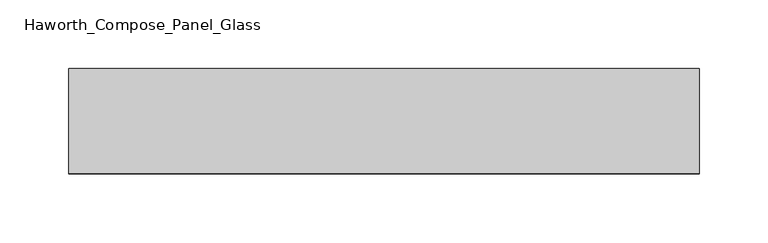
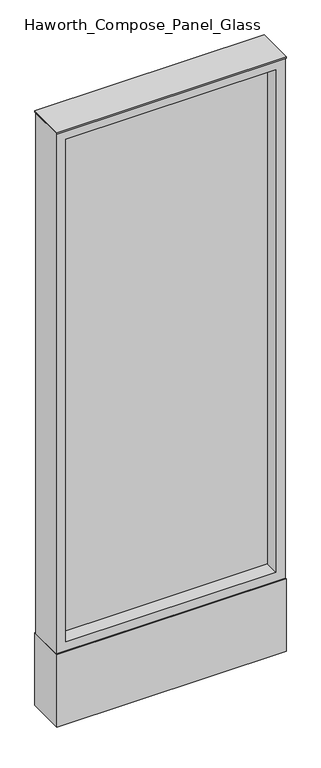
"""IFC4 building model written with IfcOpenShell, lengths in millimetres: furniture geometry, Haworth_Compose_Panel_Glass."""

from ifc_helpers import new_model, si_unit, point, frame, frame_2d, origin, origin_with_axes, place, context, project, spatial, polyline, circle_curve, trimmed, segment, composite_curve, outline, extrude, source, transform, mapped, element, save


def haworth_compose_panel_glass_facac449(model_context):
    return source(origin(), model_context, "Body", "SweptSolid", [
        extrude(outline(composite_curve([segment(trimmed(circle_curve(frame_2d((154.8402902, 0.0)), 12.7), [point((142.1402902, 0.0))], [point((167.5402902, 0.0))], False, "CARTESIAN"), True, "CONTINUOUS"), segment(trimmed(circle_curve(frame_2d((154.8402902, 0.0)), 12.7), [point((167.5402902, 0.0))], [point((142.1402902, 0.0))], False, "CARTESIAN"), True, "CONTINUOUS")], self_intersect=False)), origin_with_axes(), (0.0, 0.0, 1.0), 12.7),
        extrude(outline(composite_curve([segment(trimmed(circle_curve(frame_2d((-149.9597098, 0.0)), 12.7), [point((-162.6597098, 0.0))], [point((-137.2597098, 0.0))], False, "CARTESIAN"), True, "CONTINUOUS"), segment(trimmed(circle_curve(frame_2d((-149.9597098, 0.0)), 12.7), [point((-137.2597098, 0.0))], [point((-162.6597098, 0.0))], False, "CARTESIAN"), True, "CONTINUOUS")], self_intersect=False)), origin_with_axes(), (0.0, 0.0, 1.0), 12.7),
        extrude(outline(polyline([(211.9902902, -6.35), (-207.1097098, -6.35), (-207.1097098, 6.35), (211.9902902, 6.35), (211.9902902, -6.35)])), frame((0.0, 0.0, 184.15), z_axis=(0.0, 0.0, 1.0), x_axis=(1.0, 0.0, 0.0)), (0.0, 0.0, 1.0), 1060.45),
        extrude(outline(polyline([(1263.65, -226.1597098), (165.1, -226.1597098), (165.1, 231.0402902), (1263.65, 231.0402902), (1263.65, -226.1597098)]), holes=[polyline([(1244.6, 211.9902902), (184.15, 211.9902902), (184.15, -207.1097098), (1244.6, -207.1097098), (1244.6, 211.9902902)])]), frame((0.0, -34.925, 0.0), z_axis=(0.0, 1.0, 0.0), x_axis=(0.0, 0.0, 1.0)), (0.0, 0.0, 1.0), 69.85),
        extrude(outline(polyline([(-226.1597098, 38.1), (231.0402902, 38.1), (231.0402902, -38.1), (-226.1597098, -38.1), (-226.1597098, 38.1)])), frame((0.0, 0.0, 12.7), z_axis=(0.0, 0.0, 1.0), x_axis=(1.0, 0.0, 0.0)), (0.0, 0.0, 1.0), 152.4),
        extrude(outline(polyline([(-226.1597098, -38.1), (-226.1597098, 38.1), (231.0402902, 38.1), (231.0402902, -38.1), (-226.1597098, -38.1)])), frame((0.0, 0.0, 1263.65), z_axis=(0.0, 0.0, 1.0), x_axis=(1.0, 0.0, 0.0)), (0.0, 0.0, 1.0), 3.175),
    ])


if __name__ == "__main__":
    model = new_model("IFC4")
    model_context = context("Model", 3, world=origin())
    ifc_project = project(units=[si_unit("LENGTHUNIT", "METRE", prefix="MILLI")], contexts=[model_context])
    site = spatial("IfcSite", under=ifc_project)
    building = spatial("IfcBuilding", under=site)
    placement = place(None, origin())
    haworth_compose_panel_glass_shape = haworth_compose_panel_glass_facac449(model_context)
    element("IfcFurniture", 1, ObjectType="Haworth_Compose_Panel_Glass", at=placement, inside=building, context=model_context, shape_type="MappedRepresentation", body=[
        mapped(haworth_compose_panel_glass_shape, transform((0.0, 0.0, 0.0), x_axis=(1.0, 0.0, 0.0), y_axis=(0.0, 1.0, 0.0), z_axis=(0.0, 0.0, 1.0))),
    ])
    save(model, "model.ifc")
